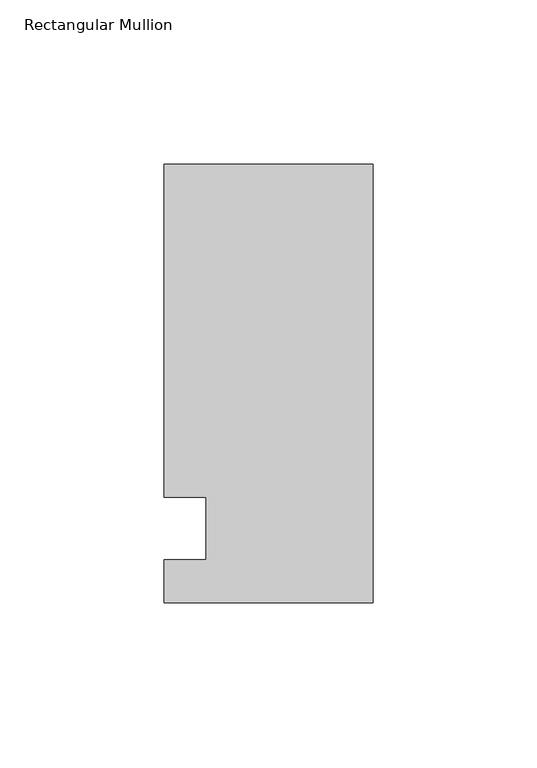
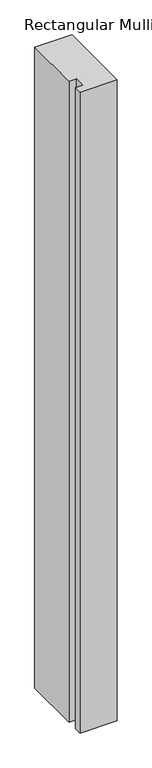
"""IFC4 building model written with IfcOpenShell, lengths in millimetres: member geometry, Rectangular Mullion."""

from ifc_helpers import new_model, si_unit, frame, origin, place, context, project, spatial, polyline, outline, extrude, source, transform, mapped, element, save


def rectangular_mullion_4170aaf7(model_context):
    return source(origin(), model_context, "Body", "SweptSolid", [
        extrude(outline(polyline([(31.75, 133.4396937), (31.75, 0.0134937), (-31.75, 0.0134937), (-31.75, 13.1960937), (-19.05, 13.1960937), (-19.05, 32.2460937), (-31.75, 32.2460938), (-31.75, 133.4396937), (31.75, 133.4396937)])), frame((0.0, 0.0, -1155.7), z_axis=(0.0, 0.0, 1.0), x_axis=(1.0, 0.0, 0.0)), (0.0, 0.0, 1.0), 1155.7),
    ])


if __name__ == "__main__":
    model = new_model("IFC4")
    model_context = context("Model", 3, world=origin())
    ifc_project = project(units=[si_unit("LENGTHUNIT", "METRE", prefix="MILLI")], contexts=[model_context])
    site = spatial("IfcSite", under=ifc_project)
    building = spatial("IfcBuilding", under=site)
    placement = place(None, origin())
    rectangular_mullion_shape = rectangular_mullion_4170aaf7(model_context)
    element("IfcMember", 1, ObjectType="Rectangular Mullion", at=placement, inside=building, context=model_context, shape_type="MappedRepresentation", body=[
        mapped(rectangular_mullion_shape, transform((0.0, 0.0, 0.0), x_axis=(1.0, 0.0, 0.0), y_axis=(0.0, 1.0, 0.0), z_axis=(0.0, 0.0, 1.0))),
    ])
    save(model, "model.ifc")
